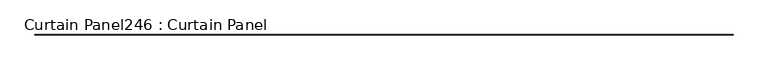
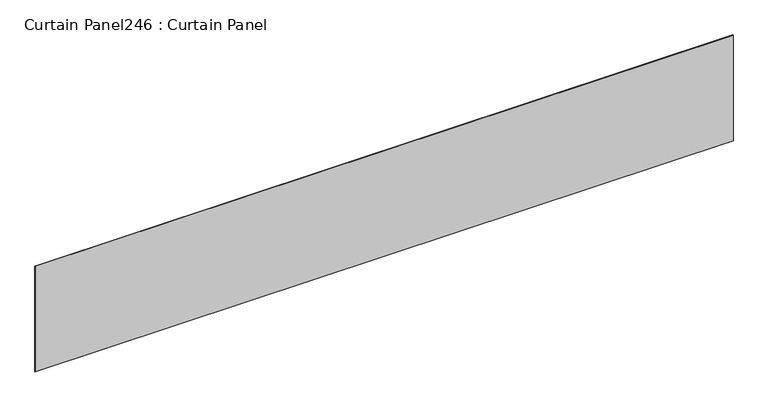
"""IFC4 building model written with IfcOpenShell, lengths in millimetres: plate geometry, Curtain Panel246 : Curtain Panel."""

from ifc_helpers import new_model, si_unit, frame, origin, place, context, project, spatial, polyline, outline, extrude, source, transform, mapped, element, save


def curtain_panel246_curtain_panel_ddc53c13(model_context):
    return source(origin(), model_context, "Body", "SweptSolid", [
        extrude(outline(polyline([(329176.6925793, 2040.743529), (319727.8925793, 2040.743529), (319727.8925793, 2047.093529), (329176.6925793, 2047.093529), (329176.6925793, 2040.743529)])), frame((0.0, 0.0, 7171.010886), z_axis=(0.0, 0.0, 1.0), x_axis=(1.0, 0.0, 0.0)), (0.0, 0.0, 1.0), 1509.7054957),
    ])


if __name__ == "__main__":
    model = new_model("IFC4")
    model_context = context("Model", 3, world=origin())
    ifc_project = project(units=[si_unit("LENGTHUNIT", "METRE", prefix="MILLI")], contexts=[model_context])
    site = spatial("IfcSite", under=ifc_project)
    building = spatial("IfcBuilding", under=site)
    placement = place(None, origin())
    curtain_panel246_curtain_panel_shape = curtain_panel246_curtain_panel_ddc53c13(model_context)
    element("IfcPlate", 1, ObjectType="Curtain Panel246 : Curtain Panel", at=placement, inside=building, context=model_context, shape_type="MappedRepresentation", body=[
        mapped(curtain_panel246_curtain_panel_shape, transform((0.0, 0.0, 0.0), x_axis=(1.0, 0.0, 0.0), y_axis=(0.0, 1.0, 0.0), z_axis=(0.0, 0.0, 1.0))),
    ])
    save(model, "model.ifc")
